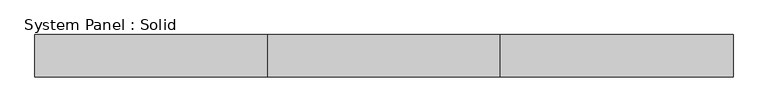
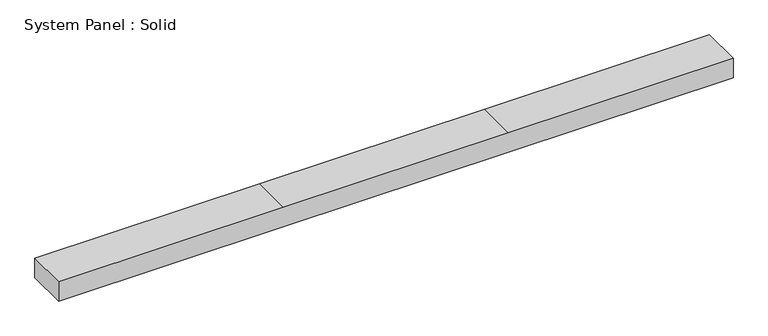
"""IFC4 building model written with IfcOpenShell, lengths in millimetres: plate geometry, System Panel : Solid."""

from ifc_helpers import new_model, si_unit, frame, origin, place, context, project, spatial, polyline, outline, extrude, source, transform, mapped, element, save


def system_panel_solid_fd6936d9(model_context):
    return source(origin(), model_context, "Body", "SweptSolid", [
        extrude(outline(polyline([(0.0, -825.0), (0.0, -275.0), (0.0, 275.0), (0.0, 825.0), (50.0, 825.0), (50.0, 275.0), (50.0, -275.0), (50.0, -825.0), (0.0, -825.0)])), frame((0.0, 50.0, 0.0), z_axis=(0.0, 1.0, 0.0), x_axis=(0.0, 0.0, 1.0)), (0.0, 0.0, 1.0), 100.0),
    ])


if __name__ == "__main__":
    model = new_model("IFC4")
    model_context = context("Model", 3, world=origin())
    ifc_project = project(units=[si_unit("LENGTHUNIT", "METRE", prefix="MILLI")], contexts=[model_context])
    site = spatial("IfcSite", under=ifc_project)
    building = spatial("IfcBuilding", under=site)
    placement = place(None, origin())
    system_panel_solid_shape = system_panel_solid_fd6936d9(model_context)
    element("IfcPlate", 1, ObjectType="System Panel : Solid", at=placement, inside=building, context=model_context, shape_type="MappedRepresentation", body=[
        mapped(system_panel_solid_shape, transform((0.0, 0.0, 0.0), x_axis=(1.0, 0.0, 0.0), y_axis=(0.0, 1.0, 0.0), z_axis=(0.0, 0.0, 1.0))),
    ])
    save(model, "model.ifc")
